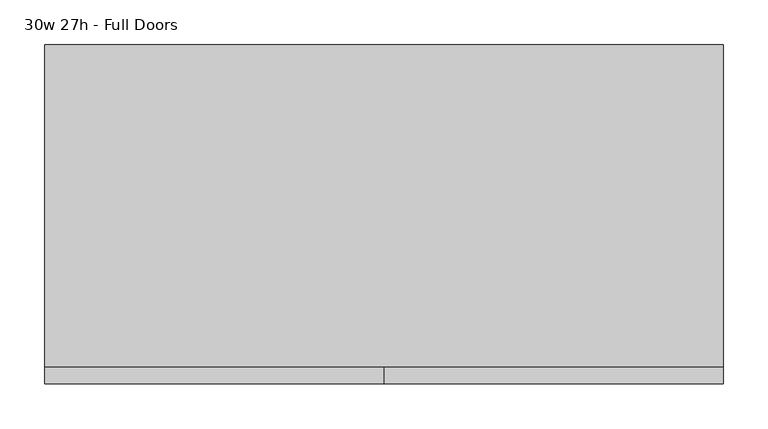
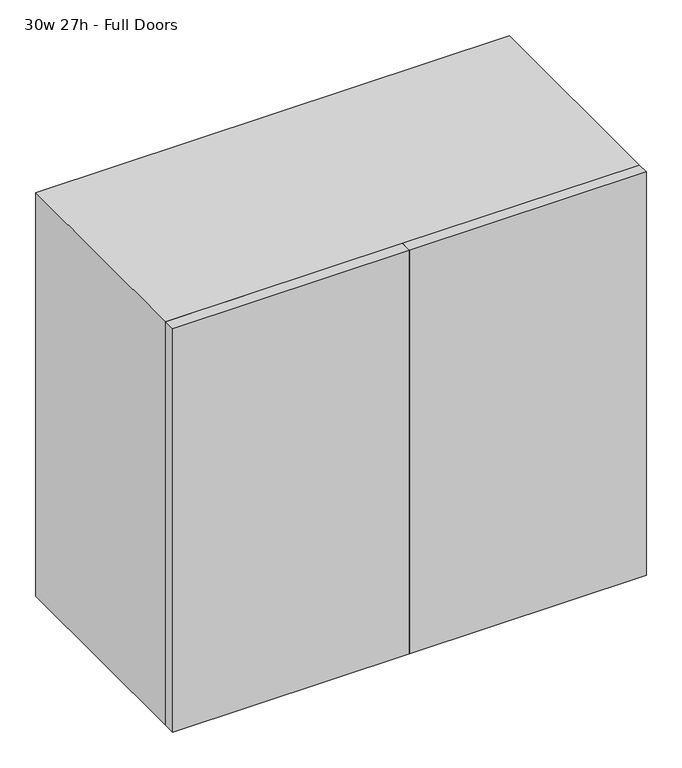
"""IFC4 building model written with IfcOpenShell, lengths in millimetres: furniture geometry, 30w 27h - Full Doors."""

from ifc_helpers import new_model, si_unit, frame, origin, place, context, project, spatial, polyline, outline, extrude, source, transform, mapped, element, save


def furniture_30w_27h_full_doors_fabc33a7(model_context):
    return source(origin(), model_context, "Body", "SweptSolid", [
        extrude(outline(polyline([(361.9569453, 161.925), (361.9569453, -180.975), (-361.9291641, -180.975), (-361.9291641, 161.925), (361.9569453, 161.925)])), frame((0.0, 0.0, 1190.625), z_axis=(0.0, 0.0, 1.0), x_axis=(1.0, 0.0, 0.0)), (0.0, 0.0, 1.0), 19.05),
        extrude(outline(polyline([(361.9569453, 161.925), (361.9569453, -180.975), (-361.9291641, -180.975), (-361.9291641, 161.925), (361.9569453, 161.925)])), frame((0.0, 0.0, 949.325), z_axis=(0.0, 0.0, 1.0), x_axis=(1.0, 0.0, 0.0)), (0.0, 0.0, 1.0), 19.05),
        extrude(outline(polyline([(0.0138906, -200.025), (0.0138906, -180.975), (381.0138906, -180.975), (381.0138906, -200.025), (0.0138906, -200.025)])), frame((0.0, 0.0, 736.6), z_axis=(0.0, 0.0, 1.0), x_axis=(1.0, 0.0, 0.0)), (0.0, 0.0, 1.0), 685.8),
        extrude(outline(polyline([(0.0138906, -200.025), (-380.9861094, -200.025), (-380.9861094, -180.975), (0.0138906, -180.975), (0.0138906, -200.025)])), frame((0.0, 0.0, 736.6), z_axis=(0.0, 0.0, 1.0), x_axis=(1.0, 0.0, 0.0)), (0.0, 0.0, 1.0), 685.8),
        extrude(outline(polyline([(736.6, -380.9861094), (736.6, 381.0138906), (1422.4, 381.0138906), (1422.4, -380.9861094), (736.6, -380.9861094)]), holes=[polyline([(755.65, -361.9361094), (1403.35, -361.9361094), (1403.35, 361.9569453), (755.65, 361.9569453), (755.65, -361.9361094)])]), frame((0.0, -180.975, 0.0), z_axis=(0.0, 1.0, 0.0), x_axis=(0.0, 0.0, 1.0)), (0.0, 0.0, 1.0), 361.95),
        extrude(outline(polyline([(-361.9291641, 161.925), (-361.9291641, 180.975), (361.9569453, 180.975), (361.9569453, 161.925), (-361.9291641, 161.925)])), frame((0.0, 0.0, 755.65), z_axis=(0.0, 0.0, 1.0), x_axis=(1.0, 0.0, 0.0)), (0.0, 0.0, 1.0), 647.7),
    ])


if __name__ == "__main__":
    model = new_model("IFC4")
    model_context = context("Model", 3, world=origin())
    ifc_project = project(units=[si_unit("LENGTHUNIT", "METRE", prefix="MILLI")], contexts=[model_context])
    site = spatial("IfcSite", under=ifc_project)
    building = spatial("IfcBuilding", under=site)
    placement = place(None, origin())
    furniture_30w_27h_full_doors_shape = furniture_30w_27h_full_doors_fabc33a7(model_context)
    element("IfcFurniture", 1, ObjectType="30w 27h - Full Doors", at=placement, inside=building, context=model_context, shape_type="MappedRepresentation", body=[
        mapped(furniture_30w_27h_full_doors_shape, transform((0.0, 0.0, 0.0), x_axis=(1.0, 0.0, 0.0), y_axis=(0.0, 1.0, 0.0), z_axis=(0.0, 0.0, 1.0))),
    ])
    save(model, "model.ifc")
